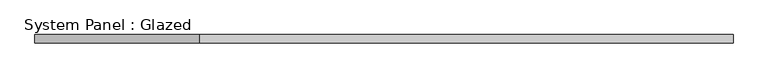
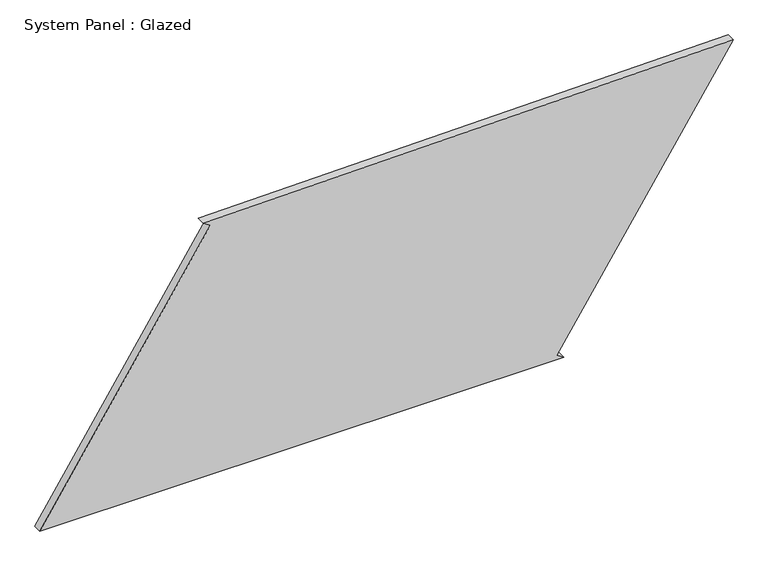
"""IFC4 building model written with IfcOpenShell, lengths in millimetres: plate geometry, System Panel : Glazed."""

from ifc_helpers import new_model, si_unit, frame, origin, place, context, project, spatial, polyline, outline, extrude, source, transform, mapped, element, save


def system_panel_glazed_2bf138f4(model_context):
    return source(origin(), model_context, "Body", "SweptSolid", [
        extrude(outline(polyline([(0.0, -1028.4085615), (0.0, 526.6781501), (13.5889005, 505.6938278), (820.7781581, 1028.4085615), (795.5950268, -543.3987246), (782.0139303, -522.4093507), (0.0, -1028.4085615)])), frame((0.0, -49.5, 0.0), z_axis=(0.0, 1.0, 0.0), x_axis=(0.0, 0.0, 1.0)), (0.0, 0.0, 1.0), 25.0),
    ])


if __name__ == "__main__":
    model = new_model("IFC4")
    model_context = context("Model", 3, world=origin())
    ifc_project = project(units=[si_unit("LENGTHUNIT", "METRE", prefix="MILLI")], contexts=[model_context])
    site = spatial("IfcSite", under=ifc_project)
    building = spatial("IfcBuilding", under=site)
    placement = place(None, origin())
    system_panel_glazed_shape = system_panel_glazed_2bf138f4(model_context)
    element("IfcPlate", 1, ObjectType="System Panel : Glazed", at=placement, inside=building, context=model_context, shape_type="MappedRepresentation", body=[
        mapped(system_panel_glazed_shape, transform((0.0, 0.0, 0.0), x_axis=(1.0, 0.0, 0.0), y_axis=(0.0, 1.0, 0.0), z_axis=(0.0, 0.0, 1.0))),
    ])
    save(model, "model.ifc")
